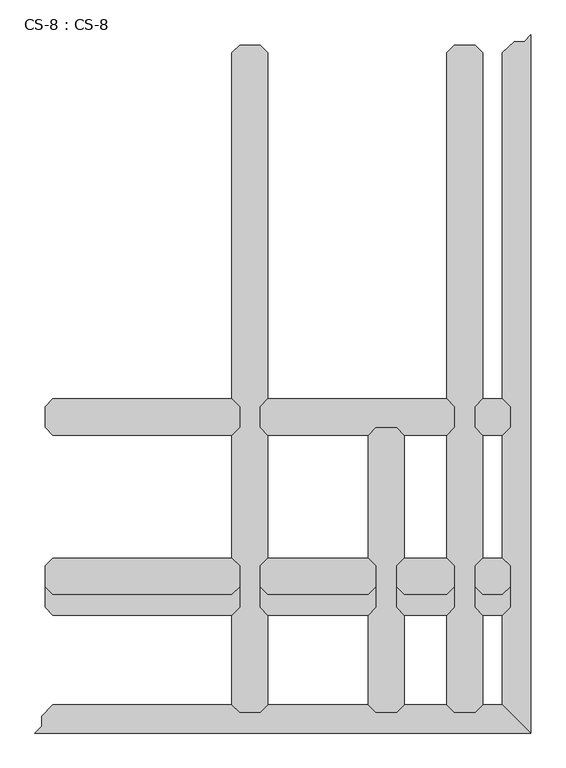
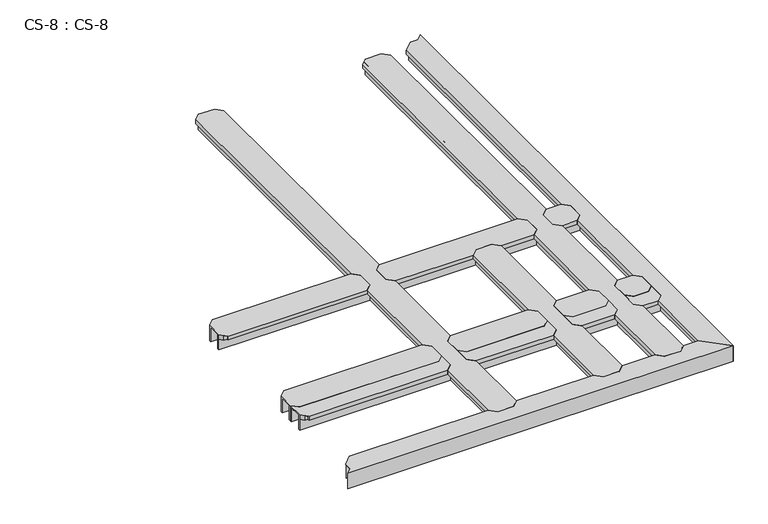
"""IFC4 building model written with IfcOpenShell, lengths in millimetres: proxy geometry, CS-8 : CS-8."""

from ifc_helpers import new_model, si_unit, origin, place, context, project, spatial, faceted_brep, source, transform, mapped, element, save


def cs_8_cs_8_ec3c7446(model_context):
    return source(origin(), model_context, "Body", "Brep", [
        faceted_brep([(1516.3803861, 975.3600584, 46.355), (1516.3803861, 975.3600584, 0.0), (1516.3803861, 982.3450584, 0.0), (1516.3803861, 982.3450584, 63.5), (1516.3803861, 1034.4150584, 63.5), (1516.3803861, 1034.4150584, 0.0), (1516.3803861, 1041.4000584, 0.0), (1516.3803861, 1041.4000584, 46.355), (1516.3803861, 1041.4000584, 66.675), (1516.3803861, 975.3600584, 66.675), (1404.6202032, 1041.4000584, 46.355), (1404.6202032, 1041.4000584, 0.0), (1404.6202032, 1034.4150584, 0.0), (1404.6202032, 1034.4150584, 63.5), (1404.6202032, 982.3450584, 63.5), (1404.6202032, 982.3450584, 0.0), (1404.6202032, 975.3600584, 0.0), (1404.6202032, 975.3600584, 46.355), (1404.6202032, 975.3600584, 66.675), (1404.6202032, 1041.4000584, 66.675), (1429.2582032, 1066.0380584, 66.675), (1491.7423861, 1066.0380584, 66.675), (1491.7423861, 1066.0380584, 49.8094), (1429.2582032, 1066.0380584, 49.8094), (1493.2663861, 1064.5140584, 49.8094), (1427.7342032, 1064.5140584, 49.8094), (1493.2663861, 1064.5140584, 64.643), (1427.7342032, 1064.5140584, 64.643), (1503.5533861, 1054.2270584, 64.643), (1417.4472032, 1054.2270584, 64.643), (1503.5533861, 1054.2270584, 46.355), (1417.4472032, 1054.2270584, 46.355), (1503.5533861, 962.5330584, 46.355), (1417.4472032, 962.5330584, 46.355), (1503.5533861, 962.5330584, 64.643), (1417.4472032, 962.5330584, 64.643), (1493.2663861, 952.2460584, 64.643), (1427.7342032, 952.2460584, 64.643), (1493.2663861, 952.2460584, 49.8094), (1427.7342032, 952.2460584, 49.8094), (1491.7423861, 950.7220584, 49.8094), (1429.2582032, 950.7220584, 49.8094), (1491.7423861, 950.7220584, 66.675), (1429.2582032, 950.7220584, 66.675)], [[[0, 1, 2, 3, 4, 5, 6, 7, 8, 9]], [[10, 11, 12, 13, 14, 15, 16, 17, 18, 19]], [[20, 21, 22, 23]], [[23, 22, 24, 25]], [[25, 24, 26, 27]], [[27, 26, 28, 29]], [[29, 28, 30, 31]], [[7, 10, 31, 30]], [[7, 6, 11, 10]], [[6, 5, 12, 11]], [[5, 4, 13, 12]], [[4, 3, 14, 13]], [[3, 2, 15, 14]], [[2, 1, 16, 15]], [[1, 0, 17, 16]], [[17, 0, 32, 33]], [[33, 32, 34, 35]], [[35, 34, 36, 37]], [[37, 36, 38, 39]], [[39, 38, 40, 41]], [[41, 40, 42, 43]], [[9, 8, 21, 20, 19, 18, 43, 42]], [[10, 19, 20, 23, 25, 27, 29, 31]], [[18, 17, 33, 35, 37, 39, 41, 43]], [[0, 9, 42, 40, 38, 36, 34, 32]], [[8, 7, 30, 28, 26, 24, 22, 21]]]),
        faceted_brep([(1338.5802032, 975.3600584, 46.355), (1338.5802032, 975.3600584, 0.0), (1338.5802032, 982.3450584, 0.0), (1338.5802032, 982.3450584, 63.5), (1338.5802032, 1034.4150584, 63.5), (1338.5802032, 1034.4150584, 0.0), (1338.5802032, 1041.4000584, 0.0), (1338.5802032, 1041.4000584, 46.355), (1338.5802032, 1041.4000584, 66.675), (1338.5802032, 975.3600584, 66.675), (718.8201016, 1041.4000584, 46.355), (718.8201016, 1041.4000584, 0.0), (718.8201016, 1034.4150584, 0.0), (718.8201016, 1034.4150584, 63.5), (718.8201016, 982.3450584, 63.5), (718.8201016, 982.3450584, 0.0), (718.8201016, 975.3600584, 0.0), (718.8201016, 975.3600584, 46.355), (718.8201016, 975.3600584, 66.675), (718.8201016, 1041.4000584, 66.675), (743.4581016, 1066.0380584, 66.675), (1313.9422032, 1066.0380584, 66.675), (1313.9422032, 1066.0380584, 49.8094), (743.4581016, 1066.0380584, 49.8094), (1315.4662032, 1064.5140584, 49.8094), (741.9341016, 1064.5140584, 49.8094), (1315.4662032, 1064.5140584, 64.643), (741.9341016, 1064.5140584, 64.643), (1325.7532032, 1054.2270584, 64.643), (731.6471016, 1054.2270584, 64.643), (1325.7532032, 1054.2270584, 46.355), (731.6471016, 1054.2270584, 46.355), (1153.7946952, 975.3600584, 46.355), (1153.7946952, 975.3600584, 66.675), (1087.7546952, 975.3600584, 66.675), (1087.7546952, 975.3600584, 46.355), (731.6471016, 962.5330584, 46.355), (1074.9276952, 962.5330584, 46.355), (1325.7532032, 962.5330584, 46.355), (1166.6216952, 962.5330584, 46.355), (731.6471016, 962.5330584, 64.643), (1074.9276952, 962.5330584, 64.643), (1325.7532032, 962.5330584, 64.643), (1166.6216952, 962.5330584, 64.643), (741.9341016, 952.2460584, 64.643), (1064.6406952, 952.2460584, 64.643), (1315.4662032, 952.2460584, 64.643), (1176.9086952, 952.2460584, 64.643), (741.9341016, 952.2460584, 49.8094), (1064.6406952, 952.2460584, 49.8094), (1315.4662032, 952.2460584, 49.8094), (1176.9086952, 952.2460584, 49.8094), (743.4581016, 950.7220584, 49.8094), (1063.1166952, 950.7220584, 49.8094), (1313.9422032, 950.7220584, 49.8094), (1178.4326952, 950.7220584, 49.8094), (743.4581016, 950.7220584, 66.675), (1063.1166952, 950.7220584, 66.675), (1313.9422032, 950.7220584, 66.675), (1178.4326952, 950.7220584, 66.675)], [[[0, 1, 2, 3, 4, 5, 6, 7, 8, 9]], [[10, 11, 12, 13, 14, 15, 16, 17, 18, 19]], [[20, 21, 22, 23]], [[23, 22, 24, 25]], [[25, 24, 26, 27]], [[27, 26, 28, 29]], [[29, 28, 30, 31]], [[7, 10, 31, 30]], [[7, 6, 11, 10]], [[6, 5, 12, 11]], [[5, 4, 13, 12]], [[4, 3, 14, 13]], [[3, 2, 15, 14]], [[2, 1, 16, 15]], [[1, 0, 32, 33, 34, 35, 17, 16]], [[36, 17, 35, 37]], [[0, 38, 39, 32]], [[40, 36, 37, 41]], [[38, 42, 43, 39]], [[44, 40, 41, 45]], [[42, 46, 47, 43]], [[48, 44, 45, 49]], [[46, 50, 51, 47]], [[52, 48, 49, 53]], [[50, 54, 55, 51]], [[56, 52, 53, 57]], [[54, 58, 59, 55]], [[9, 8, 21, 20, 19, 18, 56, 57, 34, 33, 59, 58]], [[10, 19, 20, 23, 25, 27, 29, 31]], [[18, 17, 36, 40, 44, 48, 52, 56]], [[0, 9, 58, 54, 50, 46, 42, 38]], [[8, 7, 30, 28, 26, 24, 22, 21]], [[33, 32, 39, 43, 47, 51, 55, 59]], [[35, 34, 57, 53, 49, 45, 41, 37]]]),
        faceted_brep([(652.7801016, 975.3600584, 46.355), (652.7801016, 975.3600584, 0.0), (652.7801016, 982.3450584, 0.0), (652.7801016, 982.3450584, 63.5), (652.7801016, 1034.4150584, 63.5), (652.7801016, 1034.4150584, 0.0), (652.7801016, 1041.4000584, 0.0), (652.7801016, 1041.4000584, 46.355), (652.7801016, 1041.4000584, 66.675), (652.7801016, 975.3600584, 66.675), (33.02, 1041.4000584, 46.355), (33.02, 1041.4000584, 0.0), (33.02, 1034.4150584, 0.0), (33.02, 1034.4150584, 63.5), (33.02, 982.3450584, 63.5), (33.02, 982.3450584, 0.0), (33.02, 975.3600584, 0.0), (33.02, 975.3600584, 46.355), (33.02, 975.3600584, 66.675), (33.02, 1041.4000584, 66.675), (57.658, 1066.0380584, 66.675), (628.1421016, 1066.0380584, 66.675), (628.1421016, 1066.0380584, 49.8094), (57.658, 1066.0380584, 49.8094), (629.6661016, 1064.5140584, 49.8094), (56.134, 1064.5140584, 49.8094), (629.6661016, 1064.5140584, 64.643), (56.134, 1064.5140584, 64.643), (639.9531016, 1054.2270584, 64.643), (45.847, 1054.2270584, 64.643), (639.9531016, 1054.2270584, 46.355), (45.847, 1054.2270584, 46.355), (639.9531016, 962.5330584, 46.355), (45.847, 962.5330584, 46.355), (639.9531016, 962.5330584, 64.643), (45.847, 962.5330584, 64.643), (629.6661016, 952.2460584, 64.643), (56.134, 952.2460584, 64.643), (629.6661016, 952.2460584, 49.8094), (56.134, 952.2460584, 49.8094), (628.1421016, 950.7220584, 49.8094), (57.658, 950.7220584, 49.8094), (628.1421016, 950.7220584, 66.675), (57.658, 950.7220584, 66.675)], [[[0, 1, 2, 3, 4, 5, 6, 7, 8, 9]], [[10, 11, 12, 13, 14, 15, 16, 17, 18, 19]], [[20, 21, 22, 23]], [[23, 22, 24, 25]], [[25, 24, 26, 27]], [[27, 26, 28, 29]], [[29, 28, 30, 31]], [[7, 10, 31, 30]], [[7, 6, 11, 10]], [[6, 5, 12, 11]], [[5, 4, 13, 12]], [[4, 3, 14, 13]], [[3, 2, 15, 14]], [[2, 1, 16, 15]], [[1, 0, 17, 16]], [[17, 0, 32, 33]], [[33, 32, 34, 35]], [[35, 34, 36, 37]], [[37, 36, 38, 39]], [[39, 38, 40, 41]], [[41, 40, 42, 43]], [[9, 8, 21, 20, 19, 18, 43, 42]], [[10, 19, 20, 23, 25, 27, 29, 31]], [[18, 17, 33, 35, 37, 39, 41, 43]], [[0, 9, 42, 40, 38, 36, 34, 32]], [[8, 7, 30, 28, 26, 24, 22, 21]]]),
        faceted_brep([(1516.3803861, 467.3600292, 46.355), (1516.3803861, 467.3600292, 0.0), (1516.3803861, 474.3450292, 0.0), (1516.3803861, 474.3450292, 63.5), (1516.3803861, 526.4150292, 63.5), (1516.3803861, 526.4150292, 0.0), (1516.3803861, 533.4000292, 0.0), (1516.3803861, 533.4000292, 46.355), (1516.3803861, 533.4000292, 66.675), (1516.3803861, 467.3600292, 66.675), (1404.6202032, 533.4000292, 46.355), (1404.6202032, 533.4000292, 0.0), (1404.6202032, 526.4150292, 0.0), (1404.6202032, 526.4150292, 63.5), (1404.6202032, 474.3450292, 63.5), (1404.6202032, 474.3450292, 0.0), (1404.6202032, 467.3600292, 0.0), (1404.6202032, 467.3600292, 46.355), (1404.6202032, 467.3600292, 66.675), (1404.6202032, 533.4000292, 66.675), (1429.2582032, 558.0380292, 66.675), (1491.7423861, 558.0380292, 66.675), (1491.7423861, 558.0380292, 49.8094), (1429.2582032, 558.0380292, 49.8094), (1493.2663861, 556.5140292, 49.8094), (1427.7342032, 556.5140292, 49.8094), (1493.2663861, 556.5140292, 64.643), (1427.7342032, 556.5140292, 64.643), (1503.5533861, 546.2270292, 64.643), (1417.4472032, 546.2270292, 64.643), (1503.5533861, 546.2270292, 46.355), (1417.4472032, 546.2270292, 46.355), (1503.5533861, 454.5330292, 46.355), (1417.4472032, 454.5330292, 46.355), (1503.5533861, 454.5330292, 64.643), (1417.4472032, 454.5330292, 64.643), (1493.2663861, 444.2460292, 64.643), (1427.7342032, 444.2460292, 64.643), (1493.2663861, 444.2460292, 49.8094), (1427.7342032, 444.2460292, 49.8094), (1491.7423861, 442.7220292, 49.8094), (1429.2582032, 442.7220292, 49.8094), (1491.7423861, 442.7220292, 66.675), (1429.2582032, 442.7220292, 66.675)], [[[0, 1, 2, 3, 4, 5, 6, 7, 8, 9]], [[10, 11, 12, 13, 14, 15, 16, 17, 18, 19]], [[20, 21, 22, 23]], [[23, 22, 24, 25]], [[25, 24, 26, 27]], [[27, 26, 28, 29]], [[29, 28, 30, 31]], [[7, 10, 31, 30]], [[7, 6, 11, 10]], [[6, 5, 12, 11]], [[5, 4, 13, 12]], [[4, 3, 14, 13]], [[3, 2, 15, 14]], [[2, 1, 16, 15]], [[1, 0, 17, 16]], [[17, 0, 32, 33]], [[33, 32, 34, 35]], [[35, 34, 36, 37]], [[37, 36, 38, 39]], [[39, 38, 40, 41]], [[41, 40, 42, 43]], [[9, 8, 21, 20, 19, 18, 43, 42]], [[10, 19, 20, 23, 25, 27, 29, 31]], [[18, 17, 33, 35, 37, 39, 41, 43]], [[0, 9, 42, 40, 38, 36, 34, 32]], [[8, 7, 30, 28, 26, 24, 22, 21]]]),
        faceted_brep([(1338.5802032, 467.3600292, 46.355), (1338.5802032, 467.3600292, 0.0), (1338.5802032, 474.3450292, 0.0), (1338.5802032, 474.3450292, 63.5), (1338.5802032, 526.4150292, 63.5), (1338.5802032, 526.4150292, 0.0), (1338.5802032, 533.4000292, 0.0), (1338.5802032, 533.4000292, 46.355), (1338.5802032, 533.4000292, 66.675), (1338.5802032, 467.3600292, 66.675), (1153.7946952, 533.4000292, 46.355), (1153.7946952, 533.4000292, 0.0), (1153.7946952, 526.4150292, 0.0), (1153.7946952, 526.4150292, 63.5), (1153.7946952, 474.3450292, 63.5), (1153.7946952, 474.3450292, 0.0), (1153.7946952, 467.3600292, 0.0), (1153.7946952, 467.3600292, 46.355), (1153.7946952, 467.3600292, 66.675), (1153.7946952, 533.4000292, 66.675), (1178.4326952, 558.0380292, 66.675), (1313.9422032, 558.0380292, 66.675), (1313.9422032, 558.0380292, 49.8094), (1178.4326952, 558.0380292, 49.8094), (1315.4662032, 556.5140292, 49.8094), (1176.9086952, 556.5140292, 49.8094), (1315.4662032, 556.5140292, 64.643), (1176.9086952, 556.5140292, 64.643), (1325.7532032, 546.2270292, 64.643), (1166.6216952, 546.2270292, 64.643), (1325.7532032, 546.2270292, 46.355), (1166.6216952, 546.2270292, 46.355), (1325.7532032, 454.5330292, 46.355), (1166.6216952, 454.5330292, 46.355), (1325.7532032, 454.5330292, 64.643), (1166.6216952, 454.5330292, 64.643), (1315.4662032, 444.2460292, 64.643), (1176.9086952, 444.2460292, 64.643), (1315.4662032, 444.2460292, 49.8094), (1176.9086952, 444.2460292, 49.8094), (1313.9422032, 442.7220292, 49.8094), (1178.4326952, 442.7220292, 49.8094), (1313.9422032, 442.7220292, 66.675), (1178.4326952, 442.7220292, 66.675)], [[[0, 1, 2, 3, 4, 5, 6, 7, 8, 9]], [[10, 11, 12, 13, 14, 15, 16, 17, 18, 19]], [[20, 21, 22, 23]], [[23, 22, 24, 25]], [[25, 24, 26, 27]], [[27, 26, 28, 29]], [[29, 28, 30, 31]], [[7, 10, 31, 30]], [[7, 6, 11, 10]], [[6, 5, 12, 11]], [[5, 4, 13, 12]], [[4, 3, 14, 13]], [[3, 2, 15, 14]], [[2, 1, 16, 15]], [[1, 0, 17, 16]], [[17, 0, 32, 33]], [[33, 32, 34, 35]], [[35, 34, 36, 37]], [[37, 36, 38, 39]], [[39, 38, 40, 41]], [[41, 40, 42, 43]], [[9, 8, 21, 20, 19, 18, 43, 42]], [[10, 19, 20, 23, 25, 27, 29, 31]], [[18, 17, 33, 35, 37, 39, 41, 43]], [[0, 9, 42, 40, 38, 36, 34, 32]], [[8, 7, 30, 28, 26, 24, 22, 21]]]),
        faceted_brep([(1087.7546952, 467.3600292, 46.355), (1087.7546952, 467.3600292, 0.0), (1087.7546952, 474.3450292, 0.0), (1087.7546952, 474.3450292, 63.5), (1087.7546952, 526.4150292, 63.5), (1087.7546952, 526.4150292, 0.0), (1087.7546952, 533.4000292, 0.0), (1087.7546952, 533.4000292, 46.355), (1087.7546952, 533.4000292, 66.675), (1087.7546952, 467.3600292, 66.675), (718.8201016, 533.4000292, 46.355), (718.8201016, 533.4000292, 0.0), (718.8201016, 526.4150292, 0.0), (718.8201016, 526.4150292, 63.5), (718.8201016, 474.3450292, 63.5), (718.8201016, 474.3450292, 0.0), (718.8201016, 467.3600292, 0.0), (718.8201016, 467.3600292, 46.355), (718.8201016, 467.3600292, 66.675), (718.8201016, 533.4000292, 66.675), (743.4581016, 558.0380292, 66.675), (1063.1166952, 558.0380292, 66.675), (1063.1166952, 558.0380292, 49.8094), (743.4581016, 558.0380292, 49.8094), (1064.6406952, 556.5140292, 49.8094), (741.9341016, 556.5140292, 49.8094), (1064.6406952, 556.5140292, 64.643), (741.9341016, 556.5140292, 64.643), (1074.9276952, 546.2270292, 64.643), (731.6471016, 546.2270292, 64.643), (1074.9276952, 546.2270292, 46.355), (731.6471016, 546.2270292, 46.355), (1074.9276952, 454.5330292, 46.355), (731.6471016, 454.5330292, 46.355), (1074.9276952, 454.5330292, 64.643), (731.6471016, 454.5330292, 64.643), (1064.6406952, 444.2460292, 64.643), (741.9341016, 444.2460292, 64.643), (1064.6406952, 444.2460292, 49.8094), (741.9341016, 444.2460292, 49.8094), (1063.1166952, 442.7220292, 49.8094), (743.4581016, 442.7220292, 49.8094), (1063.1166952, 442.7220292, 66.675), (743.4581016, 442.7220292, 66.675)], [[[0, 1, 2, 3, 4, 5, 6, 7, 8, 9]], [[10, 11, 12, 13, 14, 15, 16, 17, 18, 19]], [[20, 21, 22, 23]], [[23, 22, 24, 25]], [[25, 24, 26, 27]], [[27, 26, 28, 29]], [[29, 28, 30, 31]], [[7, 10, 31, 30]], [[7, 6, 11, 10]], [[6, 5, 12, 11]], [[5, 4, 13, 12]], [[4, 3, 14, 13]], [[3, 2, 15, 14]], [[2, 1, 16, 15]], [[1, 0, 17, 16]], [[17, 0, 32, 33]], [[33, 32, 34, 35]], [[35, 34, 36, 37]], [[37, 36, 38, 39]], [[39, 38, 40, 41]], [[41, 40, 42, 43]], [[9, 8, 21, 20, 19, 18, 43, 42]], [[10, 19, 20, 23, 25, 27, 29, 31]], [[18, 17, 33, 35, 37, 39, 41, 43]], [[0, 9, 42, 40, 38, 36, 34, 32]], [[8, 7, 30, 28, 26, 24, 22, 21]]]),
        faceted_brep([(652.7801016, 467.3600292, 46.355), (652.7801016, 467.3600292, 0.0), (652.7801016, 474.3450292, 0.0), (652.7801016, 474.3450292, 63.5), (652.7801016, 526.4150292, 63.5), (652.7801016, 526.4150292, 0.0), (652.7801016, 533.4000292, 0.0), (652.7801016, 533.4000292, 46.355), (652.7801016, 533.4000292, 66.675), (652.7801016, 467.3600292, 66.675), (33.02, 533.4000292, 46.355), (33.02, 533.4000292, 0.0), (33.02, 526.4150292, 0.0), (33.02, 526.4150292, 63.5), (33.02, 474.3450292, 63.5), (33.02, 474.3450292, 0.0), (33.02, 467.3600292, 0.0), (33.02, 467.3600292, 46.355), (33.02, 467.3600292, 66.675), (33.02, 533.4000292, 66.675), (57.658, 558.0380292, 66.675), (628.1421016, 558.0380292, 66.675), (628.1421016, 558.0380292, 49.8094), (57.658, 558.0380292, 49.8094), (629.6661016, 556.5140292, 49.8094), (56.134, 556.5140292, 49.8094), (629.6661016, 556.5140292, 64.643), (56.134, 556.5140292, 64.643), (639.9531016, 546.2270292, 64.643), (45.847, 546.2270292, 64.643), (639.9531016, 546.2270292, 46.355), (45.847, 546.2270292, 46.355), (639.9531016, 454.5330292, 46.355), (45.847, 454.5330292, 46.355), (639.9531016, 454.5330292, 64.643), (45.847, 454.5330292, 64.643), (629.6661016, 444.2460292, 64.643), (56.134, 444.2460292, 64.643), (629.6661016, 444.2460292, 49.8094), (56.134, 444.2460292, 49.8094), (628.1421016, 442.7220292, 49.8094), (57.658, 442.7220292, 49.8094), (628.1421016, 442.7220292, 66.675), (57.658, 442.7220292, 66.675)], [[[0, 1, 2, 3, 4, 5, 6, 7, 8, 9]], [[10, 11, 12, 13, 14, 15, 16, 17, 18, 19]], [[20, 21, 22, 23]], [[23, 22, 24, 25]], [[25, 24, 26, 27]], [[27, 26, 28, 29]], [[29, 28, 30, 31]], [[7, 10, 31, 30]], [[7, 6, 11, 10]], [[6, 5, 12, 11]], [[5, 4, 13, 12]], [[4, 3, 14, 13]], [[3, 2, 15, 14]], [[2, 1, 16, 15]], [[1, 0, 17, 16]], [[17, 0, 32, 33]], [[33, 32, 34, 35]], [[35, 34, 36, 37]], [[37, 36, 38, 39]], [[39, 38, 40, 41]], [[41, 40, 42, 43]], [[9, 8, 21, 20, 19, 18, 43, 42]], [[10, 19, 20, 23, 25, 27, 29, 31]], [[18, 17, 33, 35, 37, 39, 41, 43]], [[0, 9, 42, 40, 38, 36, 34, 32]], [[8, 7, 30, 28, 26, 24, 22, 21]]]),
        faceted_brep([(1516.3803861, 401.3200292, 46.355), (1516.3803861, 401.3200292, 0.0), (1516.3803861, 408.3050292, 0.0), (1516.3803861, 408.3050292, 63.5), (1516.3803861, 460.3750292, 63.5), (1516.3803861, 460.3750292, 0.0), (1516.3803861, 467.3600292, 0.0), (1516.3803861, 467.3600292, 46.355), (1516.3803861, 467.3600292, 66.675), (1516.3803861, 401.3200292, 66.675), (1404.6202032, 467.3600292, 46.355), (1404.6202032, 467.3600292, 0.0), (1404.6202032, 460.3750292, 0.0), (1404.6202032, 460.3750292, 63.5), (1404.6202032, 408.3050292, 63.5), (1404.6202032, 408.3050292, 0.0), (1404.6202032, 401.3200292, 0.0), (1404.6202032, 401.3200292, 46.355), (1404.6202032, 401.3200292, 66.675), (1404.6202032, 467.3600292, 66.675), (1429.2582032, 491.9980292, 66.675), (1491.7423861, 491.9980292, 66.675), (1491.7423861, 491.9980292, 49.8094), (1429.2582032, 491.9980292, 49.8094), (1493.2663861, 490.4740292, 49.8094), (1427.7342032, 490.4740292, 49.8094), (1493.2663861, 490.4740292, 64.643), (1427.7342032, 490.4740292, 64.643), (1503.5533861, 480.1870292, 64.643), (1417.4472032, 480.1870292, 64.643), (1503.5533861, 480.1870292, 46.355), (1417.4472032, 480.1870292, 46.355), (1503.5533861, 388.4930292, 46.355), (1417.4472032, 388.4930292, 46.355), (1503.5533861, 388.4930292, 64.643), (1417.4472032, 388.4930292, 64.643), (1493.2663861, 378.2060292, 64.643), (1427.7342032, 378.2060292, 64.643), (1493.2663861, 378.2060292, 49.8094), (1427.7342032, 378.2060292, 49.8094), (1491.7423861, 376.6820292, 49.8094), (1429.2582032, 376.6820292, 49.8094), (1491.7423861, 376.6820292, 66.675), (1429.2582032, 376.6820292, 66.675)], [[[0, 1, 2, 3, 4, 5, 6, 7, 8, 9]], [[10, 11, 12, 13, 14, 15, 16, 17, 18, 19]], [[20, 21, 22, 23]], [[23, 22, 24, 25]], [[25, 24, 26, 27]], [[27, 26, 28, 29]], [[29, 28, 30, 31]], [[7, 10, 31, 30]], [[7, 6, 11, 10]], [[6, 5, 12, 11]], [[5, 4, 13, 12]], [[4, 3, 14, 13]], [[3, 2, 15, 14]], [[2, 1, 16, 15]], [[1, 0, 17, 16]], [[17, 0, 32, 33]], [[33, 32, 34, 35]], [[35, 34, 36, 37]], [[37, 36, 38, 39]], [[39, 38, 40, 41]], [[41, 40, 42, 43]], [[9, 8, 21, 20, 19, 18, 43, 42]], [[10, 19, 20, 23, 25, 27, 29, 31]], [[18, 17, 33, 35, 37, 39, 41, 43]], [[0, 9, 42, 40, 38, 36, 34, 32]], [[8, 7, 30, 28, 26, 24, 22, 21]]]),
        faceted_brep([(1338.5802032, 401.3200292, 46.355), (1338.5802032, 401.3200292, 0.0), (1338.5802032, 408.3050292, 0.0), (1338.5802032, 408.3050292, 63.5), (1338.5802032, 460.3750292, 63.5), (1338.5802032, 460.3750292, 0.0), (1338.5802032, 467.3600292, 0.0), (1338.5802032, 467.3600292, 46.355), (1338.5802032, 467.3600292, 66.675), (1338.5802032, 401.3200292, 66.675), (1153.7946952, 467.3600292, 46.355), (1153.7946952, 467.3600292, 0.0), (1153.7946952, 460.3750292, 0.0), (1153.7946952, 460.3750292, 63.5), (1153.7946952, 408.3050292, 63.5), (1153.7946952, 408.3050292, 0.0), (1153.7946952, 401.3200292, 0.0), (1153.7946952, 401.3200292, 46.355), (1153.7946952, 401.3200292, 66.675), (1153.7946952, 467.3600292, 66.675), (1178.4326952, 491.9980292, 66.675), (1313.9422032, 491.9980292, 66.675), (1313.9422032, 491.9980292, 49.8094), (1178.4326952, 491.9980292, 49.8094), (1315.4662032, 490.4740292, 49.8094), (1176.9086952, 490.4740292, 49.8094), (1315.4662032, 490.4740292, 64.643), (1176.9086952, 490.4740292, 64.643), (1325.7532032, 480.1870292, 64.643), (1166.6216952, 480.1870292, 64.643), (1325.7532032, 480.1870292, 46.355), (1166.6216952, 480.1870292, 46.355), (1325.7532032, 388.4930292, 46.355), (1166.6216952, 388.4930292, 46.355), (1325.7532032, 388.4930292, 64.643), (1166.6216952, 388.4930292, 64.643), (1315.4662032, 378.2060292, 64.643), (1176.9086952, 378.2060292, 64.643), (1315.4662032, 378.2060292, 49.8094), (1176.9086952, 378.2060292, 49.8094), (1313.9422032, 376.6820292, 49.8094), (1178.4326952, 376.6820292, 49.8094), (1313.9422032, 376.6820292, 66.675), (1178.4326952, 376.6820292, 66.675)], [[[0, 1, 2, 3, 4, 5, 6, 7, 8, 9]], [[10, 11, 12, 13, 14, 15, 16, 17, 18, 19]], [[20, 21, 22, 23]], [[23, 22, 24, 25]], [[25, 24, 26, 27]], [[27, 26, 28, 29]], [[29, 28, 30, 31]], [[7, 10, 31, 30]], [[7, 6, 11, 10]], [[6, 5, 12, 11]], [[5, 4, 13, 12]], [[4, 3, 14, 13]], [[3, 2, 15, 14]], [[2, 1, 16, 15]], [[1, 0, 17, 16]], [[17, 0, 32, 33]], [[33, 32, 34, 35]], [[35, 34, 36, 37]], [[37, 36, 38, 39]], [[39, 38, 40, 41]], [[41, 40, 42, 43]], [[9, 8, 21, 20, 19, 18, 43, 42]], [[10, 19, 20, 23, 25, 27, 29, 31]], [[18, 17, 33, 35, 37, 39, 41, 43]], [[0, 9, 42, 40, 38, 36, 34, 32]], [[8, 7, 30, 28, 26, 24, 22, 21]]]),
        faceted_brep([(1087.7546952, 401.3200292, 46.355), (1087.7546952, 401.3200292, 0.0), (1087.7546952, 408.3050292, 0.0), (1087.7546952, 408.3050292, 63.5), (1087.7546952, 460.3750292, 63.5), (1087.7546952, 460.3750292, 0.0), (1087.7546952, 467.3600292, 0.0), (1087.7546952, 467.3600292, 46.355), (1087.7546952, 467.3600292, 66.675), (1087.7546952, 401.3200292, 66.675), (718.8201016, 467.3600292, 46.355), (718.8201016, 467.3600292, 0.0), (718.8201016, 460.3750292, 0.0), (718.8201016, 460.3750292, 63.5), (718.8201016, 408.3050292, 63.5), (718.8201016, 408.3050292, 0.0), (718.8201016, 401.3200292, 0.0), (718.8201016, 401.3200292, 46.355), (718.8201016, 401.3200292, 66.675), (718.8201016, 467.3600292, 66.675), (743.4581016, 491.9980292, 66.675), (1063.1166952, 491.9980292, 66.675), (1063.1166952, 491.9980292, 49.8094), (743.4581016, 491.9980292, 49.8094), (1064.6406952, 490.4740292, 49.8094), (741.9341016, 490.4740292, 49.8094), (1064.6406952, 490.4740292, 64.643), (741.9341016, 490.4740292, 64.643), (1074.9276952, 480.1870292, 64.643), (731.6471016, 480.1870292, 64.643), (1074.9276952, 480.1870292, 46.355), (731.6471016, 480.1870292, 46.355), (1074.9276952, 388.4930292, 46.355), (731.6471016, 388.4930292, 46.355), (1074.9276952, 388.4930292, 64.643), (731.6471016, 388.4930292, 64.643), (1064.6406952, 378.2060292, 64.643), (741.9341016, 378.2060292, 64.643), (1064.6406952, 378.2060292, 49.8094), (741.9341016, 378.2060292, 49.8094), (1063.1166952, 376.6820292, 49.8094), (743.4581016, 376.6820292, 49.8094), (1063.1166952, 376.6820292, 66.675), (743.4581016, 376.6820292, 66.675)], [[[0, 1, 2, 3, 4, 5, 6, 7, 8, 9]], [[10, 11, 12, 13, 14, 15, 16, 17, 18, 19]], [[20, 21, 22, 23]], [[23, 22, 24, 25]], [[25, 24, 26, 27]], [[27, 26, 28, 29]], [[29, 28, 30, 31]], [[7, 10, 31, 30]], [[7, 6, 11, 10]], [[6, 5, 12, 11]], [[5, 4, 13, 12]], [[4, 3, 14, 13]], [[3, 2, 15, 14]], [[2, 1, 16, 15]], [[1, 0, 17, 16]], [[17, 0, 32, 33]], [[33, 32, 34, 35]], [[35, 34, 36, 37]], [[37, 36, 38, 39]], [[39, 38, 40, 41]], [[41, 40, 42, 43]], [[9, 8, 21, 20, 19, 18, 43, 42]], [[10, 19, 20, 23, 25, 27, 29, 31]], [[18, 17, 33, 35, 37, 39, 41, 43]], [[0, 9, 42, 40, 38, 36, 34, 32]], [[8, 7, 30, 28, 26, 24, 22, 21]]]),
        faceted_brep([(652.7801016, 401.3200292, 46.355), (652.7801016, 401.3200292, 0.0), (652.7801016, 408.3050292, 0.0), (652.7801016, 408.3050292, 63.5), (652.7801016, 460.3750292, 63.5), (652.7801016, 460.3750292, 0.0), (652.7801016, 467.3600292, 0.0), (652.7801016, 467.3600292, 46.355), (652.7801016, 467.3600292, 66.675), (652.7801016, 401.3200292, 66.675), (33.02, 467.3600292, 46.355), (33.02, 467.3600292, 0.0), (33.02, 460.3750292, 0.0), (33.02, 460.3750292, 63.5), (33.02, 408.3050292, 63.5), (33.02, 408.3050292, 0.0), (33.02, 401.3200292, 0.0), (33.02, 401.3200292, 46.355), (33.02, 401.3200292, 66.675), (33.02, 467.3600292, 66.675), (57.658, 491.9980292, 66.675), (628.1421016, 491.9980292, 66.675), (628.1421016, 491.9980292, 49.8094), (57.658, 491.9980292, 49.8094), (629.6661016, 490.4740292, 49.8094), (56.134, 490.4740292, 49.8094), (629.6661016, 490.4740292, 64.643), (56.134, 490.4740292, 64.643), (639.9531016, 480.1870292, 64.643), (45.847, 480.1870292, 64.643), (639.9531016, 480.1870292, 46.355), (45.847, 480.1870292, 46.355), (639.9531016, 388.4930292, 46.355), (45.847, 388.4930292, 46.355), (639.9531016, 388.4930292, 64.643), (45.847, 388.4930292, 64.643), (629.6661016, 378.2060292, 64.643), (56.134, 378.2060292, 64.643), (629.6661016, 378.2060292, 49.8094), (56.134, 378.2060292, 49.8094), (628.1421016, 376.6820292, 49.8094), (57.658, 376.6820292, 49.8094), (628.1421016, 376.6820292, 66.675), (57.658, 376.6820292, 66.675)], [[[0, 1, 2, 3, 4, 5, 6, 7, 8, 9]], [[10, 11, 12, 13, 14, 15, 16, 17, 18, 19]], [[20, 21, 22, 23]], [[23, 22, 24, 25]], [[25, 24, 26, 27]], [[27, 26, 28, 29]], [[29, 28, 30, 31]], [[7, 10, 31, 30]], [[7, 6, 11, 10]], [[6, 5, 12, 11]], [[5, 4, 13, 12]], [[4, 3, 14, 13]], [[3, 2, 15, 14]], [[2, 1, 16, 15]], [[1, 0, 17, 16]], [[17, 0, 32, 33]], [[33, 32, 34, 35]], [[35, 34, 36, 37]], [[37, 36, 38, 39]], [[39, 38, 40, 41]], [[41, 40, 42, 43]], [[9, 8, 21, 20, 19, 18, 43, 42]], [[10, 19, 20, 23, 25, 27, 29, 31]], [[18, 17, 33, 35, 37, 39, 41, 43]], [[0, 9, 42, 40, 38, 36, 34, 32]], [[8, 7, 30, 28, 26, 24, 22, 21]]]),
        faceted_brep([(1404.6202032, 2194.5600292, 46.355), (1404.6202032, 2194.5600292, 0.0), (1397.6352032, 2194.5600292, 0.0), (1397.6352032, 2194.5600292, 63.5), (1345.5652032, 2194.5600292, 63.5), (1345.5652032, 2194.5600292, 0.0), (1338.5802032, 2194.5600292, 0.0), (1338.5802032, 2194.5600292, 46.355), (1338.5802032, 2194.5600292, 66.675), (1404.6202032, 2194.5600292, 66.675), (1338.5802032, 66.04, 46.355), (1338.5802032, 66.04, 0.0), (1345.5652032, 66.04, 0.0), (1345.5652032, 66.04, 63.5), (1397.6352032, 66.04, 63.5), (1397.6352032, 66.04, 0.0), (1404.6202032, 66.04, 0.0), (1404.6202032, 66.04, 46.355), (1404.6202032, 66.04, 66.675), (1338.5802032, 66.04, 66.675), (1313.9422032, 90.678, 49.8094), (1313.9422032, 90.678, 66.675), (1313.9422032, 376.6820292, 66.675), (1313.9422032, 376.6820292, 49.8094), (1313.9422032, 2169.9220292, 66.675), (1313.9422032, 2169.9220292, 49.8094), (1313.9422032, 1066.0380584, 49.8094), (1313.9422032, 1066.0380584, 66.675), (1313.9422032, 558.0380292, 49.8094), (1313.9422032, 558.0380292, 66.675), (1313.9422032, 950.7220584, 66.675), (1313.9422032, 950.7220584, 49.8094), (1315.4662032, 89.154, 49.8094), (1315.4662032, 378.2060292, 49.8094), (1315.4662032, 2171.4460292, 49.8094), (1315.4662032, 1064.5140584, 49.8094), (1315.4662032, 556.5140292, 49.8094), (1315.4662032, 952.2460584, 49.8094), (1315.4662032, 89.154, 64.643), (1315.4662032, 378.2060292, 64.643), (1315.4662032, 2171.4460292, 64.643), (1315.4662032, 1064.5140584, 64.643), (1315.4662032, 556.5140292, 64.643), (1315.4662032, 952.2460584, 64.643), (1325.7532032, 78.867, 64.643), (1325.7532032, 388.4930292, 64.643), (1325.7532032, 2181.7330292, 64.643), (1325.7532032, 1054.2270584, 64.643), (1325.7532032, 546.2270292, 64.643), (1325.7532032, 962.5330584, 64.643), (1325.7532032, 78.867, 46.355), (1325.7532032, 388.4930292, 46.355), (1325.7532032, 2181.7330292, 46.355), (1325.7532032, 1054.2270584, 46.355), (1325.7532032, 546.2270292, 46.355), (1325.7532032, 962.5330584, 46.355), (1338.5802032, 401.3200292, 46.355), (1338.5802032, 1041.4000584, 46.355), (1338.5802032, 533.4000292, 46.355), (1338.5802032, 975.3600584, 46.355), (1338.5802032, 401.3200292, 66.675), (1338.5802032, 533.4000292, 66.675), (1338.5802032, 975.3600584, 66.675), (1338.5802032, 1041.4000584, 66.675), (1404.6202032, 1041.4000584, 46.355), (1404.6202032, 1041.4000584, 66.675), (1404.6202032, 975.3600584, 66.675), (1404.6202032, 975.3600584, 46.355), (1404.6202032, 533.4000292, 46.355), (1404.6202032, 533.4000292, 66.675), (1404.6202032, 401.3200292, 66.675), (1404.6202032, 401.3200292, 46.355), (1417.4472032, 78.867, 46.355), (1417.4472032, 388.4930292, 46.355), (1417.4472032, 2181.7330292, 46.355), (1417.4472032, 1054.2270584, 46.355), (1417.4472032, 546.2270292, 46.355), (1417.4472032, 962.5330584, 46.355), (1417.4472032, 78.867, 64.643), (1417.4472032, 388.4930292, 64.643), (1417.4472032, 2181.7330292, 64.643), (1417.4472032, 1054.2270584, 64.643), (1417.4472032, 546.2270292, 64.643), (1417.4472032, 962.5330584, 64.643), (1427.7342032, 89.154, 64.643), (1427.7342032, 378.2060292, 64.643), (1427.7342032, 2171.4460292, 64.643), (1427.7342032, 1064.5140584, 64.643), (1427.7342032, 556.5140292, 64.643), (1427.7342032, 952.2460584, 64.643), (1427.7342032, 89.154, 49.8094), (1427.7342032, 378.2060292, 49.8094), (1427.7342032, 2171.4460292, 49.8094), (1427.7342032, 1064.5140584, 49.8094), (1427.7342032, 556.5140292, 49.8094), (1427.7342032, 952.2460584, 49.8094), (1429.2582032, 90.678, 49.8094), (1429.2582032, 376.6820292, 49.8094), (1429.2582032, 2169.9220292, 49.8094), (1429.2582032, 1066.0380584, 49.8094), (1429.2582032, 558.0380292, 49.8094), (1429.2582032, 950.7220584, 49.8094), (1429.2582032, 90.678, 66.675), (1429.2582032, 376.6820292, 66.675), (1429.2582032, 2169.9220292, 66.675), (1429.2582032, 1066.0380584, 66.675), (1429.2582032, 558.0380292, 66.675), (1429.2582032, 950.7220584, 66.675)], [[[0, 1, 2, 3, 4, 5, 6, 7, 8, 9]], [[10, 11, 12, 13, 14, 15, 16, 17, 18, 19]], [[20, 21, 22, 23]], [[24, 25, 26, 27]], [[28, 29, 30, 31]], [[32, 20, 23, 33]], [[25, 34, 35, 26]], [[36, 28, 31, 37]], [[38, 32, 33, 39]], [[34, 40, 41, 35]], [[42, 36, 37, 43]], [[44, 38, 39, 45]], [[40, 46, 47, 41]], [[48, 42, 43, 49]], [[50, 44, 45, 51]], [[46, 52, 53, 47]], [[54, 48, 49, 55]], [[10, 50, 51, 56]], [[52, 7, 57, 53]], [[58, 54, 55, 59]], [[7, 6, 11, 10, 56, 60, 61, 58, 59, 62, 63, 57]], [[6, 5, 12, 11]], [[5, 4, 13, 12]], [[4, 3, 14, 13]], [[3, 2, 15, 14]], [[2, 1, 16, 15]], [[1, 0, 64, 65, 66, 67, 68, 69, 70, 71, 17, 16]], [[72, 17, 71, 73]], [[0, 74, 75, 64]], [[76, 68, 67, 77]], [[78, 72, 73, 79]], [[74, 80, 81, 75]], [[82, 76, 77, 83]], [[84, 78, 79, 85]], [[80, 86, 87, 81]], [[88, 82, 83, 89]], [[90, 84, 85, 91]], [[86, 92, 93, 87]], [[94, 88, 89, 95]], [[96, 90, 91, 97]], [[92, 98, 99, 93]], [[100, 94, 95, 101]], [[102, 96, 97, 103]], [[98, 104, 105, 99]], [[106, 100, 101, 107]], [[9, 8, 24, 27, 63, 62, 30, 29, 61, 60, 22, 21, 19, 18, 102, 103, 70, 69, 106, 107, 66, 65, 105, 104]], [[10, 19, 21, 20, 32, 38, 44, 50]], [[18, 17, 72, 78, 84, 90, 96, 102]], [[0, 9, 104, 98, 92, 86, 80, 74]], [[8, 7, 52, 46, 40, 34, 25, 24]], [[60, 56, 51, 45, 39, 33, 23, 22]], [[58, 61, 29, 28, 36, 42, 48, 54]], [[62, 59, 55, 49, 43, 37, 31, 30]], [[57, 63, 27, 26, 35, 41, 47, 53]], [[71, 70, 103, 97, 91, 85, 79, 73]], [[69, 68, 76, 82, 88, 94, 100, 106]], [[65, 64, 75, 81, 87, 93, 99, 105]], [[67, 66, 107, 101, 95, 89, 83, 77]]]),
        faceted_brep([(1153.7946952, 975.3600584, 46.355), (1153.7946952, 975.3600584, 0.0), (1146.8096952, 975.3600584, 0.0), (1146.8096952, 975.3600584, 63.5), (1094.7396952, 975.3600584, 63.5), (1094.7396952, 975.3600584, 0.0), (1087.7546952, 975.3600584, 0.0), (1087.7546952, 975.3600584, 46.355), (1087.7546952, 975.3600584, 66.675), (1153.7946952, 975.3600584, 66.675), (1087.7546952, 66.04, 46.355), (1087.7546952, 66.04, 0.0), (1094.7396952, 66.04, 0.0), (1094.7396952, 66.04, 63.5), (1146.8096952, 66.04, 63.5), (1146.8096952, 66.04, 0.0), (1153.7946952, 66.04, 0.0), (1153.7946952, 66.04, 46.355), (1153.7946952, 66.04, 66.675), (1087.7546952, 66.04, 66.675), (1063.1166952, 90.678, 49.8094), (1063.1166952, 90.678, 66.675), (1063.1166952, 376.682, 66.675), (1063.1166952, 376.682, 49.8094), (1063.1166952, 950.7220584, 66.675), (1063.1166952, 950.7220584, 49.8094), (1063.1166952, 558.038, 49.8094), (1063.1166952, 558.038, 66.675), (1064.6406952, 89.154, 49.8094), (1064.6406952, 378.206, 49.8094), (1064.6406952, 952.2460584, 49.8094), (1064.6406952, 556.514, 49.8094), (1064.6406952, 89.154, 64.643), (1064.6406952, 378.206, 64.643), (1064.6406952, 952.2460584, 64.643), (1064.6406952, 556.514, 64.643), (1074.9276952, 78.867, 64.643), (1074.9276952, 388.493, 64.643), (1074.9276952, 962.5330584, 64.643), (1074.9276952, 546.227, 64.643), (1074.9276952, 78.867, 46.355), (1074.9276952, 388.493, 46.355), (1074.9276952, 962.5330584, 46.355), (1074.9276952, 546.227, 46.355), (1087.7546952, 401.32, 46.355), (1087.7546952, 533.4, 46.355), (1087.7546952, 401.32, 66.675), (1087.7546952, 533.4, 66.675), (1153.7946952, 533.4000292, 46.355), (1153.7946952, 533.4000292, 66.675), (1153.7946952, 401.32, 66.675), (1153.7946952, 401.32, 46.355), (1166.6216952, 78.867, 46.355), (1166.6216952, 388.4930152, 46.355), (1166.6216952, 962.5330584, 46.355), (1166.6216952, 546.2270292, 46.355), (1166.6216952, 78.867, 64.643), (1166.6216952, 388.4930152, 64.643), (1166.6216952, 962.5330584, 64.643), (1166.6216952, 546.2270292, 64.643), (1176.9086952, 89.154, 64.643), (1176.9086952, 378.2060274, 64.643), (1176.9086952, 952.2460584, 64.643), (1176.9086952, 556.5140292, 64.643), (1176.9086952, 89.154, 49.8094), (1176.9086952, 378.2060274, 49.8094), (1176.9086952, 952.2460584, 49.8094), (1176.9086952, 556.5140292, 49.8094), (1178.4326952, 90.678, 49.8094), (1178.4326952, 376.6820292, 49.8094), (1178.4326952, 950.7220584, 49.8094), (1178.4326952, 558.0380292, 49.8094), (1178.4326952, 90.678, 66.675), (1178.4326952, 376.6820292, 66.675), (1178.4326952, 950.7220584, 66.675), (1178.4326952, 558.0380292, 66.675)], [[[0, 1, 2, 3, 4, 5, 6, 7, 8, 9]], [[10, 11, 12, 13, 14, 15, 16, 17, 18, 19]], [[20, 21, 22, 23]], [[24, 25, 26, 27]], [[28, 20, 23, 29]], [[25, 30, 31, 26]], [[32, 28, 29, 33]], [[30, 34, 35, 31]], [[36, 32, 33, 37]], [[34, 38, 39, 35]], [[40, 36, 37, 41]], [[38, 42, 43, 39]], [[10, 40, 41, 44]], [[42, 7, 45, 43]], [[7, 6, 11, 10, 44, 46, 47, 45]], [[6, 5, 12, 11]], [[5, 4, 13, 12]], [[4, 3, 14, 13]], [[3, 2, 15, 14]], [[2, 1, 16, 15]], [[1, 0, 48, 49, 50, 51, 17, 16]], [[52, 17, 51, 53]], [[0, 54, 55, 48]], [[56, 52, 53, 57]], [[54, 58, 59, 55]], [[60, 56, 57, 61]], [[58, 62, 63, 59]], [[64, 60, 61, 65]], [[62, 66, 67, 63]], [[68, 64, 65, 69]], [[66, 70, 71, 67]], [[72, 68, 69, 73]], [[70, 74, 75, 71]], [[9, 8, 24, 27, 47, 46, 22, 21, 19, 18, 72, 73, 50, 49, 75, 74]], [[10, 19, 21, 20, 28, 32, 36, 40]], [[18, 17, 52, 56, 60, 64, 68, 72]], [[0, 9, 74, 70, 66, 62, 58, 54]], [[8, 7, 42, 38, 34, 30, 25, 24]], [[46, 44, 41, 37, 33, 29, 23, 22]], [[45, 47, 27, 26, 31, 35, 39, 43]], [[51, 50, 73, 69, 65, 61, 57, 53]], [[49, 48, 55, 59, 63, 67, 71, 75]]]),
        faceted_brep([(718.8201016, 2194.5600292, 46.355), (718.8201016, 2194.5600292, 0.0), (711.8351016, 2194.5600292, 0.0), (711.8351016, 2194.5600292, 63.5), (659.7651016, 2194.5600292, 63.5), (659.7651016, 2194.5600292, 0.0), (652.7801016, 2194.5600292, 0.0), (652.7801016, 2194.5600292, 46.355), (652.7801016, 2194.5600292, 66.675), (718.8201016, 2194.5600292, 66.675), (652.7801016, 66.04, 46.355), (652.7801016, 66.04, 0.0), (659.7651016, 66.04, 0.0), (659.7651016, 66.04, 63.5), (711.8351016, 66.04, 63.5), (711.8351016, 66.04, 0.0), (718.8201016, 66.04, 0.0), (718.8201016, 66.04, 46.355), (718.8201016, 66.04, 66.675), (652.7801016, 66.04, 66.675), (628.1421016, 90.678, 49.8094), (628.1421016, 90.678, 66.675), (628.1421016, 376.6820292, 66.675), (628.1421016, 376.6820292, 49.8094), (628.1421016, 2169.9220292, 66.675), (628.1421016, 2169.9220292, 49.8094), (628.1421016, 1066.0380584, 49.8094), (628.1421016, 1066.0380584, 66.675), (628.1421016, 558.0380292, 49.8094), (628.1421016, 558.0380292, 66.675), (628.1421016, 950.7220584, 66.675), (628.1421016, 950.7220584, 49.8094), (629.6661016, 89.154, 49.8094), (629.6661016, 378.2060292, 49.8094), (629.6661016, 2171.4460292, 49.8094), (629.6661016, 1064.5140584, 49.8094), (629.6661016, 556.5140292, 49.8094), (629.6661016, 952.2460584, 49.8094), (629.6661016, 89.154, 64.643), (629.6661016, 378.2060292, 64.643), (629.6661016, 2171.4460292, 64.643), (629.6661016, 1064.5140584, 64.643), (629.6661016, 556.5140292, 64.643), (629.6661016, 952.2460584, 64.643), (639.9531016, 78.867, 64.643), (639.9531016, 388.4930292, 64.643), (639.9531016, 2181.7330292, 64.643), (639.9531016, 1054.2270584, 64.643), (639.9531016, 546.2270292, 64.643), (639.9531016, 962.5330584, 64.643), (639.9531016, 78.867, 46.355), (639.9531016, 388.4930292, 46.355), (639.9531016, 2181.7330292, 46.355), (639.9531016, 1054.2270584, 46.355), (639.9531016, 546.2270292, 46.355), (639.9531016, 962.5330584, 46.355), (652.7801016, 401.3200292, 46.355), (652.7801016, 1041.4000584, 46.355), (652.7801016, 533.4000292, 46.355), (652.7801016, 975.3600584, 46.355), (652.7801016, 401.3200292, 66.675), (652.7801016, 533.4000292, 66.675), (652.7801016, 975.3600584, 66.675), (652.7801016, 1041.4000584, 66.675), (718.8201016, 1041.4000584, 46.355), (718.8201016, 1041.4000584, 66.675), (718.8201016, 975.3600584, 66.675), (718.8201016, 975.3600584, 46.355), (718.8201016, 533.4000292, 46.355), (718.8201016, 533.4000292, 66.675), (718.8201016, 401.3200292, 66.675), (718.8201016, 401.3200292, 46.355), (731.6471016, 78.867, 46.355), (731.6471016, 388.4930292, 46.355), (731.6471016, 2181.7330292, 46.355), (731.6471016, 1054.2270584, 46.355), (731.6471016, 546.2270292, 46.355), (731.6471016, 962.5330584, 46.355), (731.6471016, 78.867, 64.643), (731.6471016, 388.4930292, 64.643), (731.6471016, 2181.7330292, 64.643), (731.6471016, 1054.2270584, 64.643), (731.6471016, 546.2270292, 64.643), (731.6471016, 962.5330584, 64.643), (741.9341016, 89.154, 64.643), (741.9341016, 378.2060292, 64.643), (741.9341016, 2171.4460292, 64.643), (741.9341016, 1064.5140584, 64.643), (741.9341016, 556.5140292, 64.643), (741.9341016, 952.2460584, 64.643), (741.9341016, 89.154, 49.8094), (741.9341016, 378.2060292, 49.8094), (741.9341016, 2171.4460292, 49.8094), (741.9341016, 1064.5140584, 49.8094), (741.9341016, 556.5140292, 49.8094), (741.9341016, 952.2460584, 49.8094), (743.4581016, 90.678, 49.8094), (743.4581016, 376.6820292, 49.8094), (743.4581016, 2169.9220292, 49.8094), (743.4581016, 1066.0380584, 49.8094), (743.4581016, 558.0380292, 49.8094), (743.4581016, 950.7220584, 49.8094), (743.4581016, 90.678, 66.675), (743.4581016, 376.6820292, 66.675), (743.4581016, 2169.9220292, 66.675), (743.4581016, 1066.0380584, 66.675), (743.4581016, 558.0380292, 66.675), (743.4581016, 950.7220584, 66.675)], [[[0, 1, 2, 3, 4, 5, 6, 7, 8, 9]], [[10, 11, 12, 13, 14, 15, 16, 17, 18, 19]], [[20, 21, 22, 23]], [[24, 25, 26, 27]], [[28, 29, 30, 31]], [[32, 20, 23, 33]], [[25, 34, 35, 26]], [[36, 28, 31, 37]], [[38, 32, 33, 39]], [[34, 40, 41, 35]], [[42, 36, 37, 43]], [[44, 38, 39, 45]], [[40, 46, 47, 41]], [[48, 42, 43, 49]], [[50, 44, 45, 51]], [[46, 52, 53, 47]], [[54, 48, 49, 55]], [[10, 50, 51, 56]], [[52, 7, 57, 53]], [[58, 54, 55, 59]], [[7, 6, 11, 10, 56, 60, 61, 58, 59, 62, 63, 57]], [[6, 5, 12, 11]], [[5, 4, 13, 12]], [[4, 3, 14, 13]], [[3, 2, 15, 14]], [[2, 1, 16, 15]], [[1, 0, 64, 65, 66, 67, 68, 69, 70, 71, 17, 16]], [[72, 17, 71, 73]], [[0, 74, 75, 64]], [[76, 68, 67, 77]], [[78, 72, 73, 79]], [[74, 80, 81, 75]], [[82, 76, 77, 83]], [[84, 78, 79, 85]], [[80, 86, 87, 81]], [[88, 82, 83, 89]], [[90, 84, 85, 91]], [[86, 92, 93, 87]], [[94, 88, 89, 95]], [[96, 90, 91, 97]], [[92, 98, 99, 93]], [[100, 94, 95, 101]], [[102, 96, 97, 103]], [[98, 104, 105, 99]], [[106, 100, 101, 107]], [[9, 8, 24, 27, 63, 62, 30, 29, 61, 60, 22, 21, 19, 18, 102, 103, 70, 69, 106, 107, 66, 65, 105, 104]], [[10, 19, 21, 20, 32, 38, 44, 50]], [[18, 17, 72, 78, 84, 90, 96, 102]], [[0, 9, 104, 98, 92, 86, 80, 74]], [[8, 7, 52, 46, 40, 34, 25, 24]], [[60, 56, 51, 45, 39, 33, 23, 22]], [[58, 61, 29, 28, 36, 42, 48, 54]], [[62, 59, 55, 49, 43, 37, 31, 30]], [[57, 63, 27, 26, 35, 41, 47, 53]], [[71, 70, 103, 97, 91, 85, 79, 73]], [[69, 68, 76, 82, 88, 94, 100, 106]], [[65, 64, 75, 81, 87, 93, 99, 105]], [[67, 66, 107, 101, 95, 89, 83, 77]]]),
        faceted_brep([(1582.4203861, 0.0, 0.0), (0.0, 0.0, 0.0), (6.985, 6.985, 0.0), (1575.4353861, 6.985, 0.0), (1575.4353861, 6.985, 63.5), (6.985, 6.985, 63.5), (1523.3653861, 59.055, 63.5), (21.59, 21.59, 63.5), (21.59, 53.34, 63.5), (27.1106122, 59.055, 63.5), (1523.3653861, 59.055, 0.0), (27.1106122, 59.055, 0.0), (33.8580272, 66.04, 0.0), (1516.3803861, 66.04, 0.0), (1516.3803861, 66.04, 46.355), (33.8580272, 66.04, 46.355), (652.7801016, 66.04, 46.355), (652.7801016, 66.04, 66.675), (718.8201016, 66.04, 66.675), (718.8201016, 66.04, 46.355), (1087.7546952, 66.04, 46.355), (1087.7546952, 66.04, 66.675), (1153.7946952, 66.04, 66.675), (1153.7946952, 66.04, 46.355), (1338.5802032, 66.04, 46.355), (1338.5802032, 66.04, 66.675), (1404.6202032, 66.04, 66.675), (1404.6202032, 66.04, 46.355), (1503.5533861, 78.867, 46.355), (1417.4472032, 78.867, 46.355), (46.2487347, 78.867, 46.355), (639.9531016, 78.867, 46.355), (1325.7532032, 78.867, 46.355), (1166.6216952, 78.867, 46.355), (1074.9276952, 78.867, 46.355), (731.6471016, 78.867, 46.355), (1503.5533861, 78.867, 63.5), (1417.4472032, 78.867, 63.5), (46.2487347, 78.867, 63.5), (639.9531016, 78.867, 63.5), (1325.7532032, 78.867, 63.5), (1166.6216952, 78.867, 63.5), (1074.9276952, 78.867, 63.5), (731.6471016, 78.867, 63.5), (1493.2663861, 89.154, 63.5), (1427.7342032, 89.154, 63.5), (56.1858367, 89.154, 63.5), (629.6661016, 89.154, 63.5), (1315.4662032, 89.154, 63.5), (1176.9086952, 89.154, 63.5), (1064.6406952, 89.154, 63.5), (741.9341016, 89.154, 63.5), (1493.2663861, 89.154, 49.8094), (1427.7342032, 89.154, 49.8094), (56.1858367, 89.154, 49.8094), (629.6661016, 89.154, 49.8094), (1315.4662032, 89.154, 49.8094), (1176.9086952, 89.154, 49.8094), (1064.6406952, 89.154, 49.8094), (741.9341016, 89.154, 49.8094), (1491.7423861, 90.678, 49.8094), (1429.2582032, 90.678, 49.8094), (57.658, 90.678, 49.8094), (628.1421016, 90.678, 49.8094), (1313.9422032, 90.678, 49.8094), (1178.4326952, 90.678, 49.8094), (1063.1166952, 90.678, 49.8094), (743.4581016, 90.678, 49.8094), (1491.7423861, 90.678, 66.675), (1429.2582032, 90.678, 66.675), (57.658, 90.678, 66.675), (628.1421016, 90.678, 66.675), (1313.9422032, 90.678, 66.675), (1178.4326952, 90.678, 66.675), (1063.1166952, 90.678, 66.675), (743.4581016, 90.678, 66.675), (0.0, 0.0, 66.675), (1582.4203861, 0.0, 66.675), (21.59, 53.34, 66.675), (21.59, 21.59, 66.675)], [[[0, 1, 2, 3]], [[4, 3, 2, 5]], [[6, 4, 5, 7, 8, 9]], [[10, 6, 9, 11]], [[12, 13, 10, 11]], [[14, 13, 12, 15, 16, 17, 18, 19, 20, 21, 22, 23, 24, 25, 26, 27]], [[28, 14, 27, 29]], [[15, 30, 31, 16]], [[32, 24, 23, 33]], [[34, 20, 19, 35]], [[36, 28, 29, 37]], [[30, 38, 39, 31]], [[40, 32, 33, 41]], [[42, 34, 35, 43]], [[44, 36, 37, 45]], [[38, 46, 47, 39]], [[48, 40, 41, 49]], [[50, 42, 43, 51]], [[52, 44, 45, 53]], [[46, 54, 55, 47]], [[56, 48, 49, 57]], [[58, 50, 51, 59]], [[60, 52, 53, 61]], [[54, 62, 63, 55]], [[64, 56, 57, 65]], [[66, 58, 59, 67]], [[68, 60, 61, 69]], [[62, 70, 71, 63]], [[72, 64, 65, 73]], [[74, 66, 67, 75]], [[76, 77, 68, 69, 26, 25, 72, 73, 22, 21, 74, 75, 18, 17, 71, 70, 78, 79]], [[1, 0, 77, 76]], [[0, 3, 4, 6, 10, 13, 14, 28, 36, 44, 52, 60, 68, 77]], [[7, 79, 78, 8]], [[8, 78, 70, 62, 54, 46, 38, 30, 15, 12, 11, 9]], [[79, 7, 5, 2, 1, 76]], [[25, 24, 32, 40, 48, 56, 64, 72]], [[27, 26, 69, 61, 53, 45, 37, 29]], [[21, 20, 34, 42, 50, 58, 66, 74]], [[23, 22, 73, 65, 57, 49, 41, 33]], [[17, 16, 31, 39, 47, 55, 63, 71]], [[19, 18, 75, 67, 59, 51, 43, 35]]]),
        faceted_brep([(1582.4203861, 2227.5800292, 0.0), (1582.4203861, 0.0, 0.0), (1575.4353861, 6.985, 0.0), (1575.4353861, 2220.5950292, 0.0), (1575.4353861, 2220.5950292, 63.5), (1575.4353861, 6.985, 63.5), (1560.8303861, 2205.9900292, 63.5), (1523.3653861, 59.055, 63.5), (1523.3653861, 2200.4694169, 63.5), (1529.0803861, 2205.9900292, 63.5), (1523.3653861, 2200.4694169, 0.0), (1523.3653861, 59.055, 0.0), (1516.3803861, 66.04, 0.0), (1516.3803861, 2193.722002, 0.0), (1516.3803861, 2193.722002, 46.355), (1516.3803861, 66.04, 46.355), (1516.3803861, 401.3200292, 46.355), (1516.3803861, 401.3200292, 66.675), (1516.3803861, 533.4000292, 66.675), (1516.3803861, 533.4000292, 46.355), (1516.3803861, 975.3600584, 46.355), (1516.3803861, 975.3600584, 66.675), (1516.3803861, 1041.4000584, 66.675), (1516.3803861, 1041.4000584, 46.355), (1503.5533861, 2181.3312945, 46.355), (1503.5533861, 1054.2270584, 46.355), (1503.5533861, 78.867, 46.355), (1503.5533861, 388.4930292, 46.355), (1503.5533861, 962.5330584, 46.355), (1503.5533861, 546.2270292, 46.355), (1503.5533861, 2181.3312945, 63.5), (1503.5533861, 1054.2270584, 63.5), (1503.5533861, 78.867, 63.5), (1503.5533861, 388.4930292, 63.5), (1503.5533861, 962.5330584, 63.5), (1503.5533861, 546.2270292, 63.5), (1493.2663861, 2171.3941924, 63.5), (1493.2663861, 1064.5140584, 63.5), (1493.2663861, 89.154, 63.5), (1493.2663861, 378.2060292, 63.5), (1493.2663861, 952.2460584, 63.5), (1493.2663861, 556.5140292, 63.5), (1493.2663861, 2171.3941924, 49.8094), (1493.2663861, 1064.5140584, 49.8094), (1493.2663861, 89.154, 49.8094), (1493.2663861, 378.2060292, 49.8094), (1493.2663861, 952.2460584, 49.8094), (1493.2663861, 556.5140292, 49.8094), (1491.7423861, 2169.9220292, 49.8094), (1491.7423861, 1066.0380584, 49.8094), (1491.7423861, 90.678, 49.8094), (1491.7423861, 376.6820292, 49.8094), (1491.7423861, 950.7220584, 49.8094), (1491.7423861, 558.0380292, 49.8094), (1491.7423861, 2169.9220292, 66.675), (1491.7423861, 1066.0380584, 66.675), (1491.7423861, 90.678, 66.675), (1491.7423861, 376.6820292, 66.675), (1491.7423861, 950.7220584, 66.675), (1491.7423861, 558.0380292, 66.675), (1582.4203861, 0.0, 66.675), (1582.4203861, 2227.5800292, 66.675), (1560.8303861, 2205.9900292, 66.675), (1529.0803861, 2205.9900292, 66.675)], [[[0, 1, 2, 3]], [[4, 3, 2, 5]], [[6, 4, 5, 7, 8, 9]], [[10, 8, 7, 11]], [[12, 13, 10, 11]], [[14, 13, 12, 15, 16, 17, 18, 19, 20, 21, 22, 23]], [[24, 14, 23, 25]], [[15, 26, 27, 16]], [[28, 20, 19, 29]], [[30, 24, 25, 31]], [[26, 32, 33, 27]], [[34, 28, 29, 35]], [[36, 30, 31, 37]], [[32, 38, 39, 33]], [[40, 34, 35, 41]], [[42, 36, 37, 43]], [[38, 44, 45, 39]], [[46, 40, 41, 47]], [[48, 42, 43, 49]], [[44, 50, 51, 45]], [[52, 46, 47, 53]], [[54, 48, 49, 55]], [[50, 56, 57, 51]], [[58, 52, 53, 59]], [[60, 61, 62, 63, 54, 55, 22, 21, 58, 59, 18, 17, 57, 56]], [[1, 0, 61, 60]], [[6, 62, 61, 0, 3, 4]], [[63, 9, 8, 10, 13, 14, 24, 30, 36, 42, 48, 54]], [[62, 6, 9, 63]], [[2, 1, 60, 56, 50, 44, 38, 32, 26, 15, 12, 11, 7, 5]], [[21, 20, 28, 34, 40, 46, 52, 58]], [[23, 22, 55, 49, 43, 37, 31, 25]], [[19, 18, 59, 53, 47, 41, 35, 29]], [[17, 16, 27, 33, 39, 45, 51, 57]]]),
    ])


if __name__ == "__main__":
    model = new_model("IFC4")
    model_context = context("Model", 3, world=origin())
    ifc_project = project(units=[si_unit("LENGTHUNIT", "METRE", prefix="MILLI")], contexts=[model_context])
    site = spatial("IfcSite", under=ifc_project)
    building = spatial("IfcBuilding", under=site)
    placement = place(None, origin())
    cs_8_cs_8_shape = cs_8_cs_8_ec3c7446(model_context)
    element("IfcBuildingElementProxy", 1, Name="CS-8 : CS-8", ObjectType="CS-8 : CS-8", at=placement, inside=building, context=model_context, shape_type="MappedRepresentation", body=[
        mapped(cs_8_cs_8_shape, transform((0.0, 0.0, 0.0), x_axis=(1.0, 0.0, 0.0), y_axis=(0.0, 1.0, 0.0), z_axis=(0.0, 0.0, 1.0))),
    ])
    save(model, "model.ifc")
